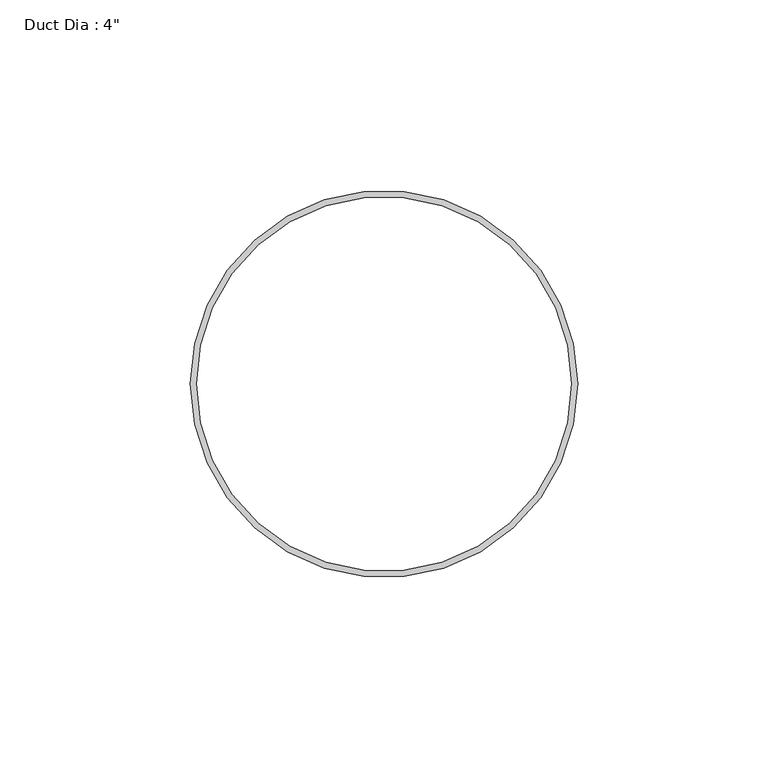
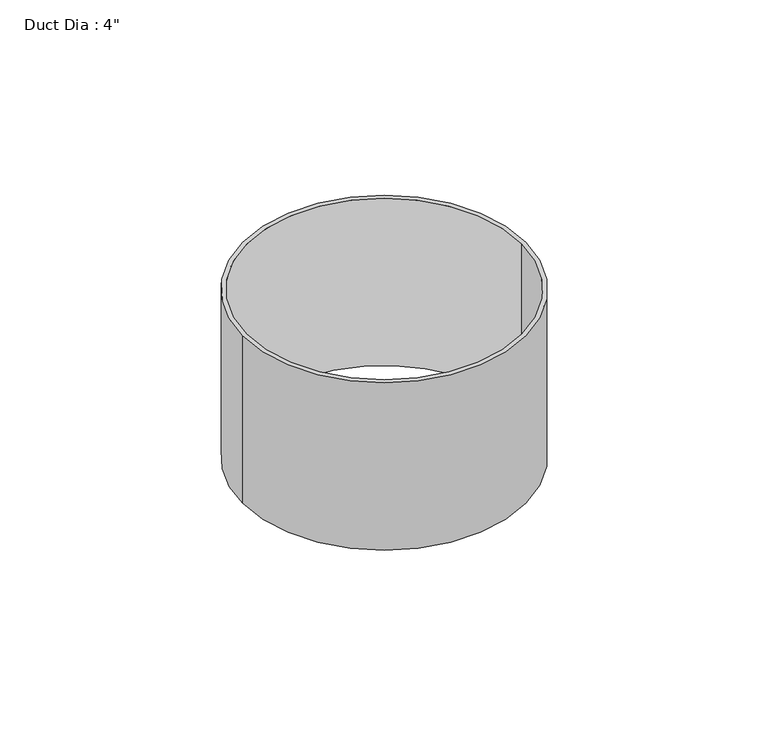
"""IFC4 building model written with IfcOpenShell, lengths in millimetres: proxy geometry."""

from ifc_helpers import new_model, si_unit, point, origin, origin_with_axes, origin_2d, place, context, project, spatial, circle_curve, trimmed, segment, composite_curve, outline, extrude, source, transform, mapped, element, save


def proxy_1adfcc71(model_context):
    return source(origin(), model_context, "Body", "SweptSolid", [
        extrude(outline(composite_curve([segment(trimmed(circle_curve(origin_2d(), 50.8), [point((-50.8, 0.0))], [point((50.8, 0.0))], False, "CARTESIAN"), True, "CONTINUOUS"), segment(trimmed(circle_curve(origin_2d(), 50.8), [point((50.8, 0.0))], [point((-50.8, 0.0))], False, "CARTESIAN"), True, "CONTINUOUS")], self_intersect=False), holes=[composite_curve([segment(trimmed(circle_curve(origin_2d(), 49.2125), [point((-49.2125, 0.0))], [point((49.2125, 0.0))], True, "CARTESIAN"), True, "CONTINUOUS"), segment(trimmed(circle_curve(origin_2d(), 49.2125), [point((49.2125, 0.0))], [point((-49.2125, 0.0))], True, "CARTESIAN"), True, "CONTINUOUS")], self_intersect=False)]), origin_with_axes(), (0.0, 0.0, 1.0), 63.5),
    ])


if __name__ == "__main__":
    model = new_model("IFC4")
    model_context = context("Model", 3, world=origin())
    ifc_project = project(units=[si_unit("LENGTHUNIT", "METRE", prefix="MILLI")], contexts=[model_context])
    site = spatial("IfcSite", under=ifc_project)
    building = spatial("IfcBuilding", under=site)
    placement = place(None, origin())
    proxy_shape = proxy_1adfcc71(model_context)
    element("IfcBuildingElementProxy", 1, Name="Duct Dia : 4\"", ObjectType="Duct Dia : 4\"", at=placement, inside=building, context=model_context, shape_type="MappedRepresentation", body=[
        mapped(proxy_shape, transform((0.0, 0.0, 0.0), x_axis=(1.0, 0.0, 0.0), y_axis=(0.0, 1.0, 0.0), z_axis=(0.0, 0.0, 1.0))),
    ])
    save(model, "model.ifc")
